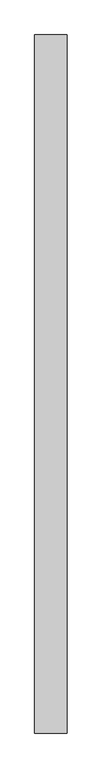
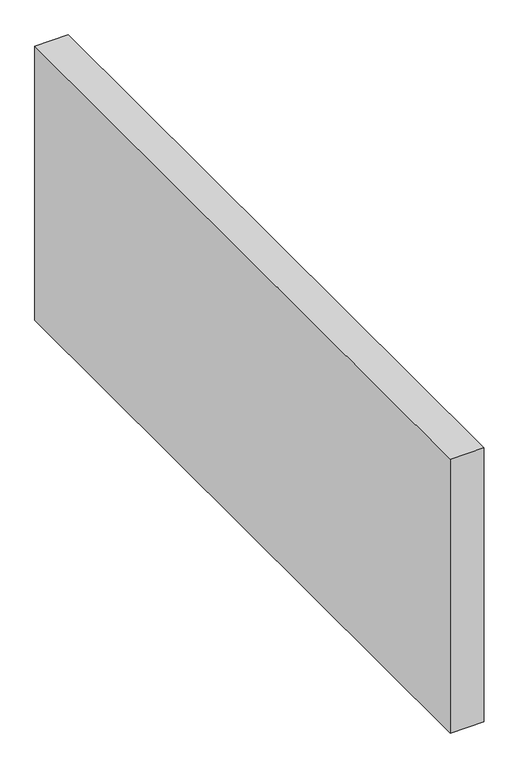
"""IFC4 building model written with IfcOpenShell, lengths in millimetres: proxy geometry."""

from ifc_helpers import new_model, si_unit, frame, origin, place, context, project, spatial, polyline, outline, extrude, source, transform, mapped, element, save


def generic_models_c9d71845(model_context):
    return source(origin(), model_context, "Body", "SweptSolid", [
        extrude(outline(polyline([(37605.2710168, -18662.4262341), (37910.0710168, -18662.4262341), (37910.0710168, -25196.3527966), (37605.2710168, -25196.3527966), (37605.2710168, -18662.4262341)])), frame((0.0, 0.0, 3009.9), z_axis=(0.0, 0.0, 1.0), x_axis=(1.0, 0.0, 0.0)), (0.0, 0.0, 1.0), 2628.9),
    ])


if __name__ == "__main__":
    model = new_model("IFC4")
    model_context = context("Model", 3, world=origin())
    ifc_project = project(units=[si_unit("LENGTHUNIT", "METRE", prefix="MILLI")], contexts=[model_context])
    site = spatial("IfcSite", under=ifc_project)
    building = spatial("IfcBuilding", under=site)
    placement = place(None, origin())
    generic_models_shape = generic_models_c9d71845(model_context)
    element("IfcBuildingElementProxy", 1, Name="Generic Models", at=placement, inside=building, context=model_context, shape_type="MappedRepresentation", body=[
        mapped(generic_models_shape, transform((0.0, 0.0, 0.0), x_axis=(1.0, 0.0, 0.0), y_axis=(0.0, 1.0, 0.0), z_axis=(0.0, 0.0, 1.0))),
    ])
    save(model, "model.ifc")
